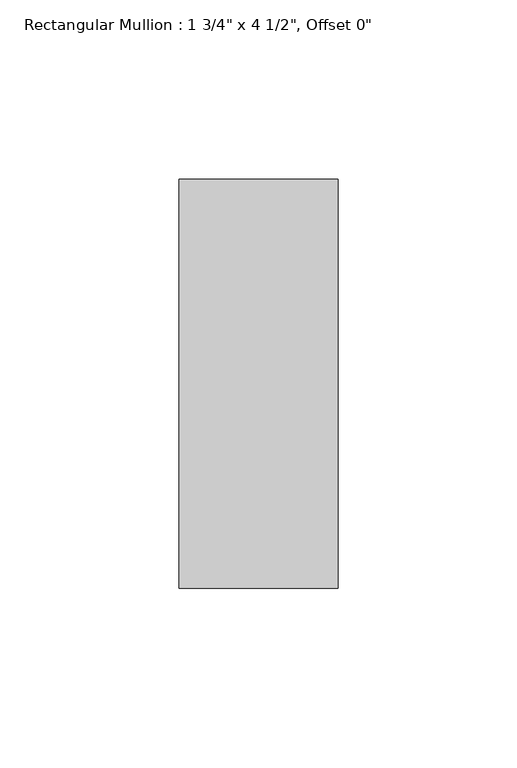
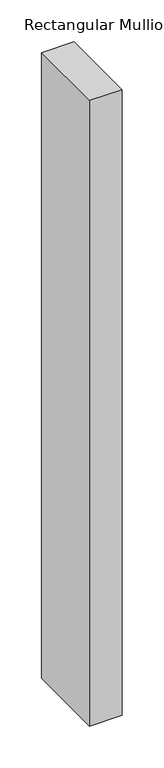
"""IFC4 building model written with IfcOpenShell, lengths in millimetres: member geometry."""

from ifc_helpers import new_model, si_unit, frame, origin, place, context, project, spatial, polyline, outline, extrude, source, transform, mapped, element, save


def member_9da81a6e(model_context):
    return source(origin(), model_context, "Body", "SweptSolid", [
        extrude(outline(polyline([(0.0, 57.15), (0.0, -57.15), (-44.45, -57.15), (-44.45, 57.15), (0.0, 57.15)])), frame((0.0, 0.0, -911.225), z_axis=(0.0, 0.0, 1.0), x_axis=(1.0, 0.0, 0.0)), (0.0, 0.0, 1.0), 911.225),
    ])


if __name__ == "__main__":
    model = new_model("IFC4")
    model_context = context("Model", 3, world=origin())
    ifc_project = project(units=[si_unit("LENGTHUNIT", "METRE", prefix="MILLI")], contexts=[model_context])
    site = spatial("IfcSite", under=ifc_project)
    building = spatial("IfcBuilding", under=site)
    placement = place(None, origin())
    member_shape = member_9da81a6e(model_context)
    element("IfcMember", 1, ObjectType="Rectangular Mullion : 1 3/4\" x 4 1/2\", Offset 0\"", at=placement, inside=building, context=model_context, shape_type="MappedRepresentation", body=[
        mapped(member_shape, transform((0.0, 0.0, 0.0), x_axis=(1.0, 0.0, 0.0), y_axis=(0.0, 1.0, 0.0), z_axis=(0.0, 0.0, 1.0))),
    ])
    save(model, "model.ifc")
